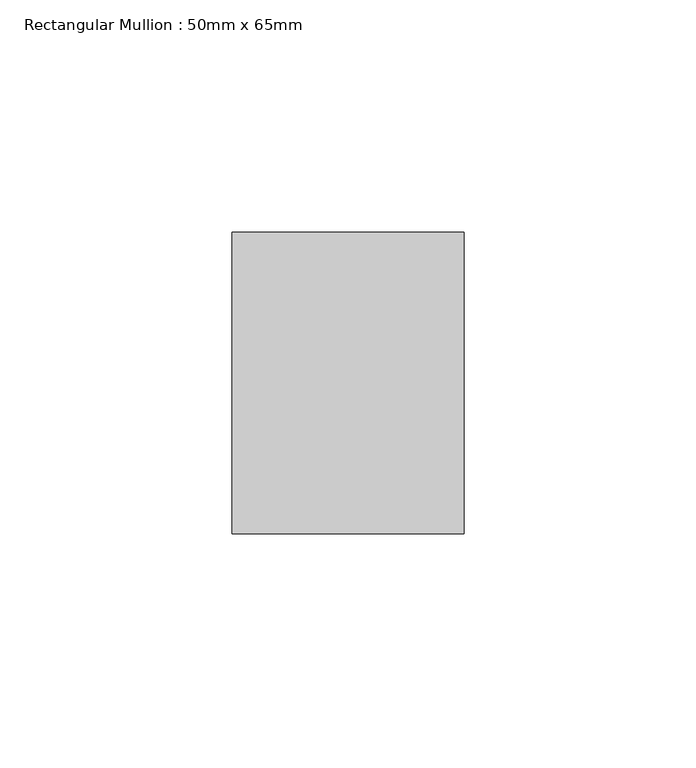
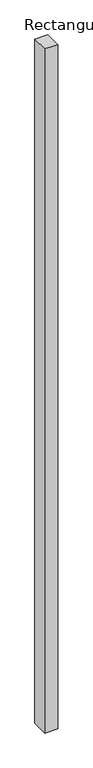
"""IFC4 building model written with IfcOpenShell, lengths in millimetres: member geometry, Rectangular Mullion : 50mm x 65mm."""

from ifc_helpers import new_model, si_unit, frame, origin, place, context, project, spatial, polyline, outline, extrude, source, transform, mapped, element, save


def rectangular_mullion_50mm_x_65mm_573a23db(model_context):
    return source(origin(), model_context, "Body", "SweptSolid", [
        extrude(outline(polyline([(25.0, 32.5), (25.0, -32.5), (-25.0, -32.5), (-25.0, 32.5), (25.0, 32.5)])), frame((0.0, 0.0, -2773.8918818), z_axis=(0.0, 0.0, 1.0), x_axis=(1.0, 0.0, 0.0)), (0.0, 0.0, 1.0), 2773.8918818),
    ])


if __name__ == "__main__":
    model = new_model("IFC4")
    model_context = context("Model", 3, world=origin())
    ifc_project = project(units=[si_unit("LENGTHUNIT", "METRE", prefix="MILLI")], contexts=[model_context])
    site = spatial("IfcSite", under=ifc_project)
    building = spatial("IfcBuilding", under=site)
    placement = place(None, origin())
    rectangular_mullion_50mm_x_65mm_shape = rectangular_mullion_50mm_x_65mm_573a23db(model_context)
    element("IfcMember", 1, ObjectType="Rectangular Mullion : 50mm x 65mm", at=placement, inside=building, context=model_context, shape_type="MappedRepresentation", body=[
        mapped(rectangular_mullion_50mm_x_65mm_shape, transform((0.0, 0.0, 0.0), x_axis=(1.0, 0.0, 0.0), y_axis=(0.0, 1.0, 0.0), z_axis=(0.0, 0.0, 1.0))),
    ])
    save(model, "model.ifc")
